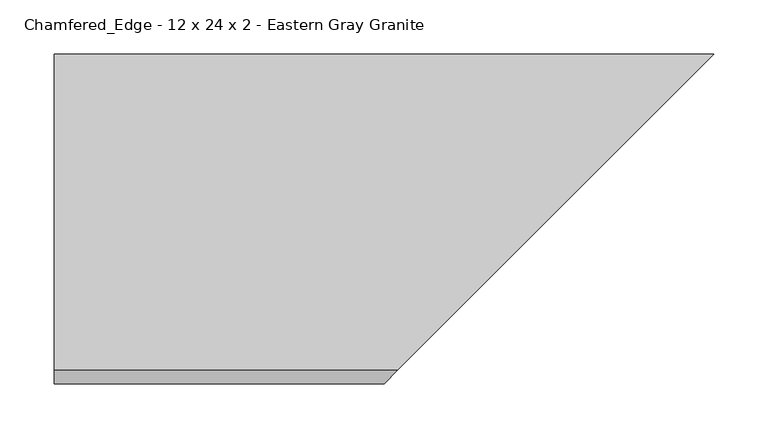
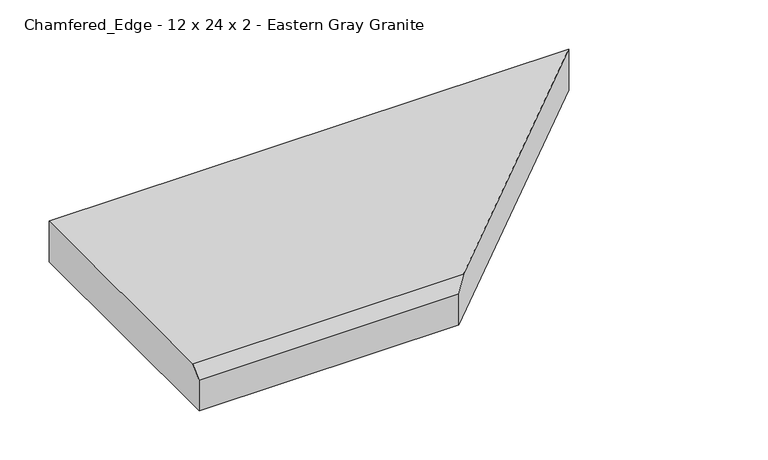
"""IFC4 building model written with IfcOpenShell, lengths in millimetres: proxy geometry, Chamfered_Edge - 12 x 24 x 2 - Eastern Gray Granite."""

from ifc_helpers import new_model, si_unit, origin, place, context, project, spatial, faceted_brep, source, transform, mapped, element, save


def chamfered_edge_12_x_24_x_2_eastern_gray_granite_584d9a09(model_context):
    return source(origin(), model_context, "Body", "Brep", [
        faceted_brep([(0.0, -304.8, 0.0), (0.0, -304.8, 38.1), (0.0, -292.1, 50.8), (0.0, 0.0, 50.8), (0.0, 0.0, 0.0), (317.5, -292.1, 50.8), (609.6, 0.0, 50.8), (609.6, 0.0, 0.0), (304.8, -304.8, 0.0), (304.8, -304.8, 38.1)], [[[0, 1, 2, 3, 4]], [[3, 2, 5, 6]], [[4, 3, 6, 7]], [[0, 4, 7, 8]], [[1, 0, 8, 9]], [[2, 1, 9, 5]], [[6, 5, 9, 8, 7]]]),
    ])


if __name__ == "__main__":
    model = new_model("IFC4")
    model_context = context("Model", 3, world=origin())
    ifc_project = project(units=[si_unit("LENGTHUNIT", "METRE", prefix="MILLI")], contexts=[model_context])
    site = spatial("IfcSite", under=ifc_project)
    building = spatial("IfcBuilding", under=site)
    placement = place(None, origin())
    chamfered_edge_12_x_24_x_2_eastern_gray_granite_shape = chamfered_edge_12_x_24_x_2_eastern_gray_granite_584d9a09(model_context)
    element("IfcBuildingElementProxy", 1, Name="Chamfered_Edge - 12 x 24 x 2 - Eastern Gray Granite", ObjectType="Chamfered_Edge - 12 x 24 x 2 - Eastern Gray Granite", at=placement, inside=building, context=model_context, shape_type="MappedRepresentation", body=[
        mapped(chamfered_edge_12_x_24_x_2_eastern_gray_granite_shape, transform((0.0, 0.0, 0.0), x_axis=(1.0, 0.0, 0.0), y_axis=(0.0, 1.0, 0.0), z_axis=(0.0, 0.0, 1.0))),
    ])
    save(model, "model.ifc")
